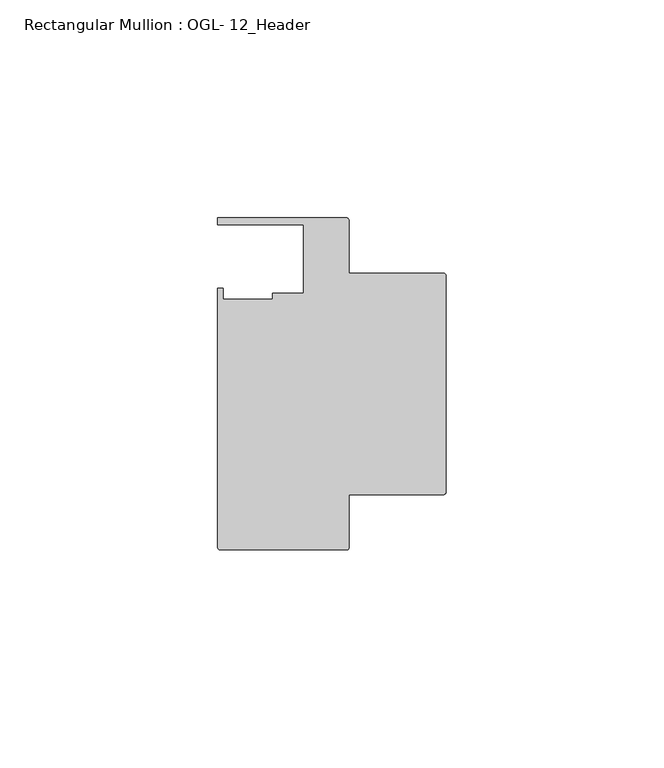
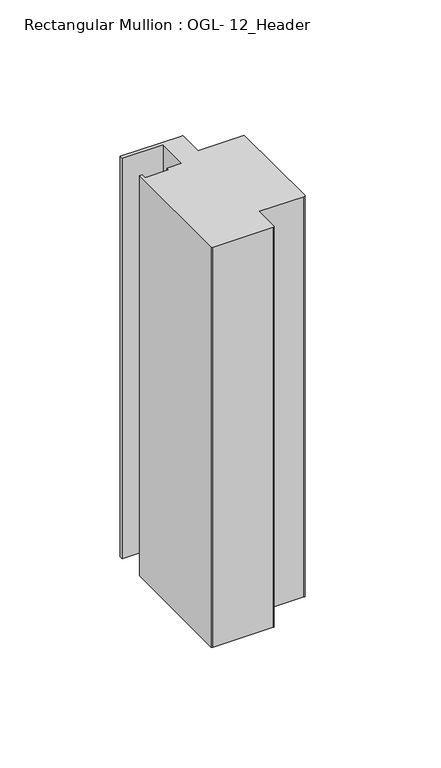
"""IFC4 building model written with IfcOpenShell, lengths in millimetres: member geometry, Rectangular Mullion : OGL- 12_Header."""

import ifcopenshell
import ifcopenshell.guid

model = None  # the IFC model being written
_history = None  # IfcOwnerHistory: only IFC2X3 demands one
_inside = {}  # id of a spatial element -> (the spatial element, [elements in it])
_under = {}  # id of a project, library or spatial element -> (it, [spatial elements below it])
_declared = {}  # id of a project -> (the project, [libraries it declares])
_typed = {}  # id of a type object -> (the type object, [elements of that type])
_made_of = {}  # id of a material, layer set ... -> (it, [elements and type objects made of it])


def new_model(schema):
    """Start an empty IFC model of exactly this schema.

    Asked for "IFC4X3", IfcOpenShell would pick the latest addendum, in which some entities
    have other attributes; the version numbers below select the first issue.
    IFC2X3 requires an IfcOwnerHistory on every rooted entity: one is made here for all.
    """
    global model, _history
    if schema == "IFC4X3":
        model = ifcopenshell.file(schema_version=(4, 3, 0, 0))
    else:
        model = ifcopenshell.file(schema=schema)
    _inside.clear()
    _under.clear()
    _declared.clear()
    _typed.clear()
    _made_of.clear()
    _history = None
    if model.schema == "IFC2X3":
        org = make("IfcOrganization", Name="unknown")
        user = make(
            "IfcPersonAndOrganization",
            ThePerson=make("IfcPerson", FamilyName="unknown"),
            TheOrganization=org,
        )
        app = make(
            "IfcApplication",
            ApplicationDeveloper=org,
            Version="unknown",
            ApplicationFullName="unknown",
            ApplicationIdentifier="unknown",
        )
        _history = make(
            "IfcOwnerHistory",
            OwningUser=user,
            OwningApplication=app,
            ChangeAction="ADDED",
            CreationDate=0,
        )
    return model


def make(cls, **values):
    """One entity of the class cls with the attributes given. An attribute that is None is left unset."""
    return model.create_entity(
        cls, **{name: value for name, value in values.items() if value is not None}
    )


def rooted(cls, **values):
    """An entity with a GlobalId (a new one), such as an element, a storey or a relation."""
    return make(cls, GlobalId=ifcopenshell.guid.new(), OwnerHistory=_history, **values)


def si_unit(unit_type, name, prefix=None):
    """IfcSIUnit, for example si_unit("LENGTHUNIT", "METRE", prefix="MILLI")."""
    return make("IfcSIUnit", UnitType=unit_type, Prefix=prefix, Name=name)


def assignment(units):
    """IfcUnitAssignment: the units of a project."""
    return None if units is None else make("IfcUnitAssignment", Units=units)


def point(xyz):
    """IfcCartesianPoint."""
    return None if xyz is None else make("IfcCartesianPoint", Coordinates=xyz)


def direction(xyz):
    """IfcDirection."""
    return None if xyz is None else make("IfcDirection", DirectionRatios=xyz)


def frame(location, z_axis=None, x_axis=None):
    """IfcAxis2Placement3D, a coordinate frame: its origin and axes. An axis left out is left unset."""
    return make(
        "IfcAxis2Placement3D",
        Location=point(location),
        Axis=direction(z_axis),
        RefDirection=direction(x_axis),
    )


def frame_2d(location, x_axis=None):
    """IfcAxis2Placement2D, a coordinate frame in the plane: its origin and x axis."""
    return make(
        "IfcAxis2Placement2D", Location=point(location), RefDirection=direction(x_axis)
    )


def origin():
    """The frame at (0, 0, 0) with its axes left unset."""
    return frame((0.0, 0.0, 0.0))


def place(relative_to, where):
    """IfcLocalPlacement: puts the frame where relative to a parent placement (None: the world)."""
    return make(
        "IfcLocalPlacement", PlacementRelTo=relative_to, RelativePlacement=where
    )


def context(
    kind, dimensions, precision=None, world=None, true_north=None, identifier=None
):
    """IfcGeometricRepresentationContext, for example the 3D "Model" context."""
    return make(
        "IfcGeometricRepresentationContext",
        ContextIdentifier=identifier,
        ContextType=kind,
        CoordinateSpaceDimension=dimensions,
        Precision=precision,
        WorldCoordinateSystem=world,
        TrueNorth=true_north,
    )


def project(units=None, contexts=None):
    """IfcProject with its units and contexts."""
    return rooted(
        "IfcProject",
        Name="project",
        RepresentationContexts=contexts,
        UnitsInContext=assignment(units),
    )


def spatial(cls, under=None, at=None, **own):
    """A site, building, storey or space (cls), placed at a placement, below another one or the project."""
    s = rooted(cls, ObjectPlacement=at, **own)
    if under is not None:
        _under.setdefault(under.id(), (under, []))[1].append(s)
    return s


def polyline(points):
    """IfcPolyline through the points."""
    return make("IfcPolyline", Points=[point(p) for p in points])


def circle_curve(where, radius):
    """IfcCircle in the frame where."""
    return make("IfcCircle", Position=where, Radius=radius)


def trimmed(basis, trim1, trim2, sense, master):
    """IfcTrimmedCurve: the piece of a basis curve between two trims."""
    return make(
        "IfcTrimmedCurve",
        BasisCurve=basis,
        Trim1=trim1,
        Trim2=trim2,
        SenseAgreement=sense,
        MasterRepresentation=master,
    )


def segment(curve, same_sense, transition):
    """IfcCompositeCurveSegment."""
    return make(
        "IfcCompositeCurveSegment",
        Transition=transition,
        SameSense=same_sense,
        ParentCurve=curve,
    )


def composite_curve(segments, self_intersect=None):
    """IfcCompositeCurve: segments joined end to end."""
    return make("IfcCompositeCurve", Segments=segments, SelfIntersect=self_intersect)


def outline(outer, holes=None, kind="AREA"):
    """IfcArbitraryClosedProfileDef: a profile drawn as a closed curve; with holes, ...WithVoids."""
    if holes is None:
        return make("IfcArbitraryClosedProfileDef", ProfileType=kind, OuterCurve=outer)
    return make(
        "IfcArbitraryProfileDefWithVoids",
        ProfileType=kind,
        OuterCurve=outer,
        InnerCurves=holes,
    )


def extrude(swept, where, along, depth):
    """IfcExtrudedAreaSolid: the profile swept, set in the frame where, extruded along a direction by depth."""
    return make(
        "IfcExtrudedAreaSolid",
        SweptArea=swept,
        Position=where,
        ExtrudedDirection=direction(along),
        Depth=depth,
    )


def shape(context_of_items, identifier, shape_type, items):
    """IfcShapeRepresentation: the items that make up one representation, for example the "Body"."""
    return make(
        "IfcShapeRepresentation",
        ContextOfItems=context_of_items,
        RepresentationIdentifier=identifier,
        RepresentationType=shape_type,
        Items=items,
    )


def source(mapping_origin, context_of_items, identifier, shape_type, items):
    """IfcRepresentationMap: a shape defined once, which mapped items show again and again."""
    return make(
        "IfcRepresentationMap",
        MappingOrigin=mapping_origin,
        MappedRepresentation=shape(context_of_items, identifier, shape_type, items),
    )


def transform(
    local_origin,
    x_axis=None,
    y_axis=None,
    z_axis=None,
    scale=None,
    scale2=None,
    scale3=None,
    uniform=True,
):
    """IfcCartesianTransformationOperator3D, or its non-uniform kind. x_axis, y_axis, z_axis: its Axis1, 2, 3."""
    if uniform:
        return make(
            "IfcCartesianTransformationOperator3D",
            Axis1=direction(x_axis),
            Axis2=direction(y_axis),
            LocalOrigin=point(local_origin),
            Scale=scale,
            Axis3=direction(z_axis),
        )
    return make(
        "IfcCartesianTransformationOperator3DnonUniform",
        Axis1=direction(x_axis),
        Axis2=direction(y_axis),
        LocalOrigin=point(local_origin),
        Scale=scale,
        Axis3=direction(z_axis),
        Scale2=scale2,
        Scale3=scale3,
    )


def mapped(mapping_source, mapping_target):
    """IfcMappedItem: shows the shape of a source again, moved by a transform."""
    return make(
        "IfcMappedItem", MappingSource=mapping_source, MappingTarget=mapping_target
    )


def made_of(thing, what):
    """Note that an element or type object is made of a material, layer set ...; save() writes the relation."""
    if what is not None:
        _made_of.setdefault(what.id(), (what, []))[1].append(thing)
    return thing


def element(
    cls,
    number,
    at=None,
    inside=None,
    cuts=None,
    type_object=None,
    material=None,
    context=None,
    identifier="Body",
    shape_type=None,
    held_by="IfcProductDefinitionShape",
    body=None,
    shapes=None,
    **own,
):
    """One element of the class cls, such as IfcWall. Its Tag is "e" and its number.

    at: its placement. inside: the storey or other place that contains it. cuts: it is an
    opening in that element (IfcRelVoidsElement). A single representation is given by context,
    identifier, shape_type and body (its items); several are given by shapes. held_by: the class
    of the entity that holds the representations. save() writes the other relations.
    """
    e = rooted(cls, Tag="e%d" % number, ObjectPlacement=at, **own)
    if body is not None:
        shapes = [shape(context, identifier, shape_type, body)]
    if shapes is not None:
        e.Representation = make(held_by, Representations=shapes)
    if inside is not None:
        _inside.setdefault(inside.id(), (inside, []))[1].append(e)
    if cuts is not None:
        rooted(
            "IfcRelVoidsElement", RelatingBuildingElement=cuts, RelatedOpeningElement=e
        )
    if type_object is not None:
        _typed.setdefault(type_object.id(), (type_object, []))[1].append(e)
    return made_of(e, material)


def aggregate(whole, parts):
    """IfcRelAggregates: a whole, such as a stair, and the parts it consists of."""
    return rooted("IfcRelAggregates", RelatingObject=whole, RelatedObjects=parts)


def save(model, path):
    """Write the relations noted so far, then the file.

    IfcRelAggregates (storeys below a building ...), IfcRelContainedInSpatialStructure (elements
    in a storey), IfcRelDefinesByType, IfcRelAssociatesMaterial and IfcRelDeclares: one each for
    every whole, place, type object, material and project.
    """
    for whole, parts in _under.values():
        aggregate(whole, parts)
    for where, things in _inside.values():
        rooted(
            "IfcRelContainedInSpatialStructure",
            RelatedElements=things,
            RelatingStructure=where,
        )
    for kind, things in _typed.values():
        rooted("IfcRelDefinesByType", RelatedObjects=things, RelatingType=kind)
    for what, things in _made_of.values():
        rooted("IfcRelAssociatesMaterial", RelatedObjects=things, RelatingMaterial=what)
    for by, libraries in _declared.values():
        rooted("IfcRelDeclares", RelatingContext=by, RelatedDefinitions=libraries)
    model.write(path)


def rectangular_mullion_ogl_12_header_547f86fe(model_context):
    return source(origin(), model_context, "Body", "SweptSolid", [
        extrude(outline(composite_curve([segment(polyline([(-0.5953125, -25.4), (-22.2332898, -25.4), (-22.2332898, -37.5043667)]), True, "CONTINUOUS"), segment(trimmed(circle_curve(frame_2d((-22.8286023, -37.5043667)), 0.5953125), [point((-22.2332898, -37.5043667))], [point((-22.8286023, -38.0996792))], False, "CARTESIAN"), True, "CONTINUOUS"), segment(polyline([(-22.8286023, -38.0996792), (-51.7968699, -38.0996792)]), True, "CONTINUOUS"), segment(trimmed(circle_curve(frame_2d((-51.7968699, -37.5043667)), 0.5953125), [point((-51.7968699, -38.0996792))], [point((-52.3921824, -37.5043667))], False, "CARTESIAN"), True, "CONTINUOUS"), segment(polyline([(-52.3921824, -37.5043667), (-52.3921824, 21.9710976), (-51.1362531, 21.9710976), (-51.1362531, 19.4824275), (-39.7567771, 19.4824275), (-39.7567771, 20.8257348), (-32.730302, 20.8257348), (-32.730302, 36.512516), (-52.3830881, 36.512516), (-52.3830881, 38.100016), (-22.8763468, 38.100016)]), True, "CONTINUOUS"), segment(trimmed(circle_curve(frame_2d((-22.8763468, 37.456959)), 0.643057), [point((-22.8763468, 38.100016))], [point((-22.2332898, 37.456959))], False, "CARTESIAN"), True, "CONTINUOUS"), segment(polyline([(-22.2332898, 37.456959), (-22.2332898, 25.4), (-0.5953125, 25.4)]), True, "CONTINUOUS"), segment(trimmed(circle_curve(frame_2d((-0.5953125, 24.8046875)), 0.5953125), [point((-0.5953125, 25.4))], [point((0.0, 24.8046875))], False, "CARTESIAN"), True, "CONTINUOUS"), segment(polyline([(0.0, 24.8046875), (0.0, -24.8046875)]), True, "CONTINUOUS"), segment(trimmed(circle_curve(frame_2d((-0.5953125, -24.8046875)), 0.5953125), [point((0.0, -24.8046875))], [point((-0.5953125, -25.4))], False, "CARTESIAN"), True, "CONTINUOUS")], self_intersect=False)), frame((0.0, 0.0, -203.2), z_axis=(0.0, 0.0, 1.0), x_axis=(1.0, 0.0, 0.0)), (0.0, 0.0, 1.0), 203.2),
    ])


if __name__ == "__main__":
    model = new_model("IFC4")
    model_context = context("Model", 3, world=origin())
    ifc_project = project(units=[si_unit("LENGTHUNIT", "METRE", prefix="MILLI")], contexts=[model_context])
    site = spatial("IfcSite", under=ifc_project)
    building = spatial("IfcBuilding", under=site)
    placement = place(None, origin())
    rectangular_mullion_ogl_12_header_shape = rectangular_mullion_ogl_12_header_547f86fe(model_context)
    element("IfcMember", 1, ObjectType="Rectangular Mullion : OGL- 12_Header", at=placement, inside=building, context=model_context, shape_type="MappedRepresentation", body=[
        mapped(rectangular_mullion_ogl_12_header_shape, transform((0.0, 0.0, 0.0), x_axis=(1.0, 0.0, 0.0), y_axis=(0.0, 1.0, 0.0), z_axis=(0.0, 0.0, 1.0))),
    ])
    save(model, "model.ifc")
